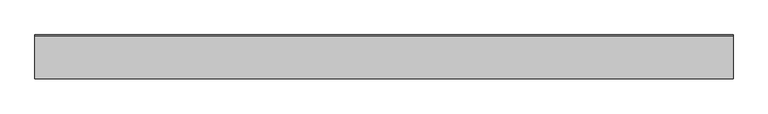
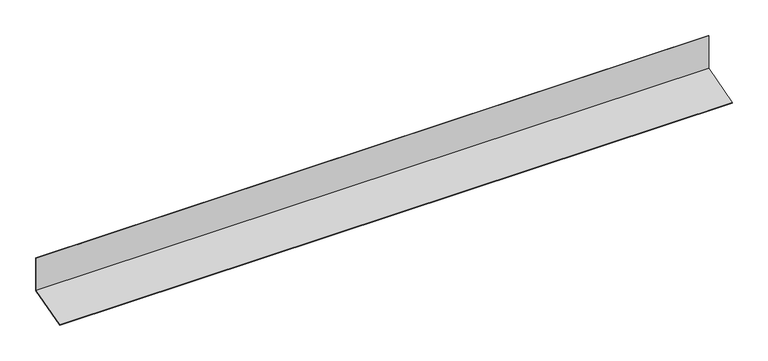
"""IFC4 building model written with IfcOpenShell, lengths in millimetres: proxy geometry."""

from ifc_helpers import new_model, si_unit, frame, origin, place, context, project, spatial, polyline, outline, extrude, source, transform, mapped, element, save


def generic_models_e5d99e1b(model_context):
    return source(origin(), model_context, "Body", "SweptSolid", [
        extrude(outline(polyline([(-10132.2979315, 1774.4460745), (-10132.2979315, 1830.0913228), (-10131.2979315, 1830.0913228), (-10131.2979315, 1773.6787475), (-10199.553268, 1755.3897852), (-10199.812087, 1756.355711), (-10132.2979315, 1774.4460745)])), frame((-8290.4379752, 0.0, 0.0), z_axis=(1.0, 0.0, 0.0), x_axis=(0.0, 1.0, 0.0)), (0.0, 0.0, 1.0), 1093.8407638),
    ])


if __name__ == "__main__":
    model = new_model("IFC4")
    model_context = context("Model", 3, world=origin())
    ifc_project = project(units=[si_unit("LENGTHUNIT", "METRE", prefix="MILLI")], contexts=[model_context])
    site = spatial("IfcSite", under=ifc_project)
    building = spatial("IfcBuilding", under=site)
    placement = place(None, origin())
    generic_models_shape = generic_models_e5d99e1b(model_context)
    element("IfcBuildingElementProxy", 1, Name="Generic Models", at=placement, inside=building, context=model_context, shape_type="MappedRepresentation", body=[
        mapped(generic_models_shape, transform((0.0, 0.0, 0.0), x_axis=(1.0, 0.0, 0.0), y_axis=(0.0, 1.0, 0.0), z_axis=(0.0, 0.0, 1.0))),
    ])
    save(model, "model.ifc")
